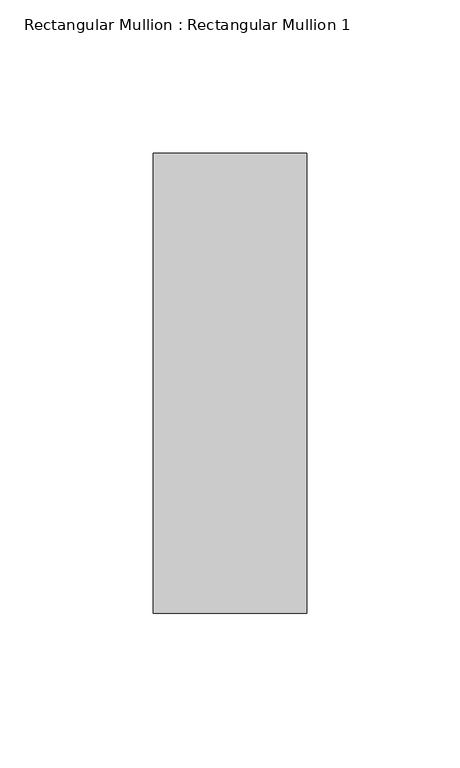
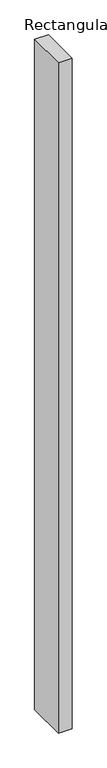
"""IFC4 building model written with IfcOpenShell, lengths in millimetres: member geometry, Rectangular Mullion : Rectangular Mullion 1."""

from ifc_helpers import new_model, si_unit, frame, origin, place, context, project, spatial, polyline, outline, extrude, source, transform, mapped, element, save


def rectangular_mullion_rectangular_mullion_1_9b7e7bbe(model_context):
    return source(origin(), model_context, "Body", "SweptSolid", [
        extrude(outline(polyline([(25.0, 75.0), (25.0, -75.0), (-25.0, -75.0), (-25.0, 75.0), (25.0, 75.0)])), frame((0.0, 0.0, -2600.0), z_axis=(0.0, 0.0, 1.0), x_axis=(1.0, 0.0, 0.0)), (0.0, 0.0, 1.0), 2600.0),
    ])


if __name__ == "__main__":
    model = new_model("IFC4")
    model_context = context("Model", 3, world=origin())
    ifc_project = project(units=[si_unit("LENGTHUNIT", "METRE", prefix="MILLI")], contexts=[model_context])
    site = spatial("IfcSite", under=ifc_project)
    building = spatial("IfcBuilding", under=site)
    placement = place(None, origin())
    rectangular_mullion_rectangular_mullion_1_shape = rectangular_mullion_rectangular_mullion_1_9b7e7bbe(model_context)
    element("IfcMember", 1, ObjectType="Rectangular Mullion : Rectangular Mullion 1", at=placement, inside=building, context=model_context, shape_type="MappedRepresentation", body=[
        mapped(rectangular_mullion_rectangular_mullion_1_shape, transform((0.0, 0.0, 0.0), x_axis=(1.0, 0.0, 0.0), y_axis=(0.0, 1.0, 0.0), z_axis=(0.0, 0.0, 1.0))),
    ])
    save(model, "model.ifc")
